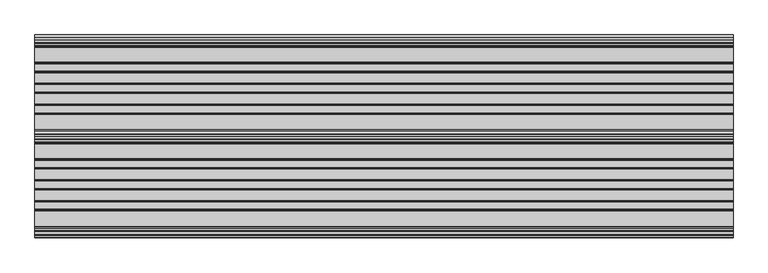
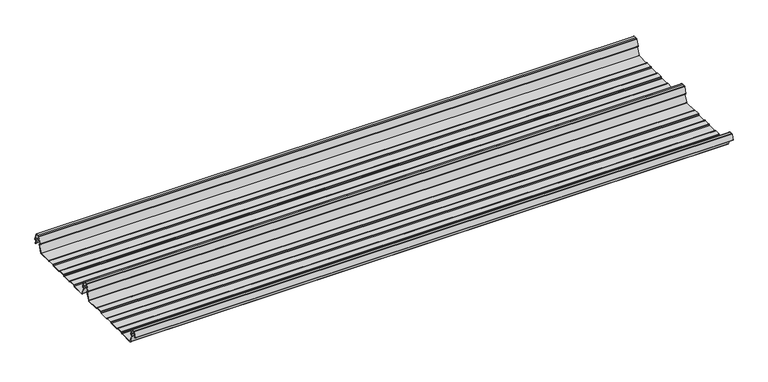
"""IFC4 building model written with IfcOpenShell, lengths in millimetres: beam geometry."""

from ifc_helpers import new_model, si_unit, point, frame, frame_2d, origin, place, context, project, spatial, polyline, circle_curve, trimmed, segment, composite_curve, outline, extrude, source, transform, mapped, element, save


def beam_9ecfdc8a(model_context):
    return source(origin(), model_context, "Body", "SweptSolid", [
        extrude(outline(composite_curve([segment(trimmed(circle_curve(frame_2d((-231.1362436, -24.0396475)), 1.75), [point((-231.1362436, -25.7896475))], [point((-232.7807057, -24.6381827))], False, "CARTESIAN"), True, "CONTINUOUS"), segment(polyline([(-232.7807057, -24.6381827), (-241.6888002, -2.1633943)]), True, "CONTINUOUS"), segment(trimmed(circle_curve(frame_2d((-240.0443381, -1.5648591)), 1.75), [point((-241.6888002, -2.1633943))], [point((-240.4972714, 0.1255111))], False, "CARTESIAN"), True, "CONTINUOUS"), segment(polyline([(-240.4972714, 0.1255111), (-237.8419476, 0.837003)]), True, "CONTINUOUS"), segment(trimmed(circle_curve(frame_2d((-238.1654714, 2.0444103)), 1.25), [point((-237.8419476, 0.837003))], [point((-236.9908556, 2.4719355))], True, "CARTESIAN"), True, "CONTINUOUS"), segment(polyline([(-236.9908556, 2.4719355), (-243.8110817, 21.2103525), (-250.0, 21.2103525), (-256.1889183, 21.2103525), (-263.0091444, 2.4719355)]), True, "CONTINUOUS"), segment(trimmed(circle_curve(frame_2d((-261.8345286, 2.0444103)), 1.25), [point((-263.0091444, 2.4719355))], [point((-262.1580524, 0.837003))], True, "CARTESIAN"), True, "CONTINUOUS"), segment(polyline([(-262.1580524, 0.837003), (-259.5027286, 0.1255111)]), True, "CONTINUOUS"), segment(trimmed(circle_curve(frame_2d((-259.9556619, -1.5648591)), 1.75), [point((-259.5027286, 0.1255111))], [point((-258.3111998, -2.1633943))], False, "CARTESIAN"), True, "CONTINUOUS"), segment(polyline([(-258.3111998, -2.1633943), (-267.2192943, -24.6381827)]), True, "CONTINUOUS"), segment(trimmed(circle_curve(frame_2d((-268.8637564, -24.0396475)), 1.75), [point((-267.2192943, -24.6381827))], [point((-268.8637564, -25.7896475))], False, "CARTESIAN"), True, "CONTINUOUS"), segment(polyline([(-268.8637564, -25.7896475), (-307.3786797, -25.7896475)]), True, "CONTINUOUS"), segment(trimmed(circle_curve(frame_2d((-307.3786797, -24.0396475)), 1.75), [point((-307.3786797, -25.7896475))], [point((-308.6161165, -25.2770843))], False, "CARTESIAN"), True, "CONTINUOUS"), segment(polyline([(-308.6161165, -25.2770843), (-310.7788845, -23.1143163)]), True, "CONTINUOUS"), segment(trimmed(circle_curve(frame_2d((-311.5627045, -23.8981363)), 1.1084889), [point((-310.7788845, -23.1143163))], [point((-311.5627045, -22.7896475))], True, "CARTESIAN"), True, "CONTINUOUS"), segment(polyline([(-311.5627045, -22.7896475), (-330.4372955, -22.7896475)]), True, "CONTINUOUS"), segment(trimmed(circle_curve(frame_2d((-330.4372955, -23.8981363)), 1.1084889), [point((-330.4372955, -22.7896475))], [point((-331.2211155, -23.1143163))], True, "CARTESIAN"), True, "CONTINUOUS"), segment(polyline([(-331.2211155, -23.1143163), (-333.3838835, -25.2770843)]), True, "CONTINUOUS"), segment(trimmed(circle_curve(frame_2d((-334.6213203, -24.0396475)), 1.75), [point((-333.3838835, -25.2770843))], [point((-334.6213203, -25.7896475))], False, "CARTESIAN"), True, "CONTINUOUS"), segment(polyline([(-334.6213203, -25.7896475), (-361.3786797, -25.7896475)]), True, "CONTINUOUS"), segment(trimmed(circle_curve(frame_2d((-361.3786797, -24.0396475)), 1.75), [point((-361.3786797, -25.7896475))], [point((-362.6161165, -25.2770843))], False, "CARTESIAN"), True, "CONTINUOUS"), segment(polyline([(-362.6161165, -25.2770843), (-364.7788845, -23.1143163)]), True, "CONTINUOUS"), segment(trimmed(circle_curve(frame_2d((-365.5627045, -23.8981363)), 1.1084889), [point((-364.7788845, -23.1143163))], [point((-365.5627045, -22.7896475))], True, "CARTESIAN"), True, "CONTINUOUS"), segment(polyline([(-365.5627045, -22.7896475), (-384.4372955, -22.7896475)]), True, "CONTINUOUS"), segment(trimmed(circle_curve(frame_2d((-384.4372955, -23.8981363)), 1.1084889), [point((-384.4372955, -22.7896475))], [point((-385.2211155, -23.1143163))], True, "CARTESIAN"), True, "CONTINUOUS"), segment(polyline([(-385.2211155, -23.1143163), (-387.3838835, -25.2770843)]), True, "CONTINUOUS"), segment(trimmed(circle_curve(frame_2d((-388.6213203, -24.0396475)), 1.75), [point((-387.3838835, -25.2770843))], [point((-388.6213203, -25.7896475))], False, "CARTESIAN"), True, "CONTINUOUS"), segment(polyline([(-388.6213203, -25.7896475), (-415.3786797, -25.7896475)]), True, "CONTINUOUS"), segment(trimmed(circle_curve(frame_2d((-415.3786797, -24.0396475)), 1.75), [point((-415.3786797, -25.7896475))], [point((-416.6161165, -25.2770843))], False, "CARTESIAN"), True, "CONTINUOUS"), segment(polyline([(-416.6161165, -25.2770843), (-418.7788845, -23.1143163)]), True, "CONTINUOUS"), segment(trimmed(circle_curve(frame_2d((-419.5627045, -23.8981363)), 1.1084889), [point((-418.7788845, -23.1143163))], [point((-419.5627045, -22.7896475))], True, "CARTESIAN"), True, "CONTINUOUS"), segment(polyline([(-419.5627045, -22.7896475), (-438.4372955, -22.7896475)]), True, "CONTINUOUS"), segment(trimmed(circle_curve(frame_2d((-438.4372955, -23.8981363)), 1.1084889), [point((-438.4372955, -22.7896475))], [point((-439.2211155, -23.1143163))], True, "CARTESIAN"), True, "CONTINUOUS"), segment(polyline([(-439.2211155, -23.1143163), (-441.3838835, -25.2770843)]), True, "CONTINUOUS"), segment(trimmed(circle_curve(frame_2d((-442.6213203, -24.0396475)), 1.75), [point((-441.3838835, -25.2770843))], [point((-442.6213203, -25.7896475))], False, "CARTESIAN"), True, "CONTINUOUS"), segment(polyline([(-442.6213203, -25.7896475), (-483.287616, -25.7896475)]), True, "CONTINUOUS"), segment(trimmed(circle_curve(frame_2d((-483.287616, -24.0396475)), 1.75), [point((-483.287616, -25.7896475))], [point((-484.8955882, -24.7302452))], False, "CARTESIAN"), True, "CONTINUOUS"), segment(polyline([(-484.8955882, -24.7302452), (-493.5565428, -2.8789816)]), True, "CONTINUOUS"), segment(trimmed(circle_curve(frame_2d((-490.0443381, -1.5648591)), 3.75), [point((-493.5565428, -2.8789816))], [point((-490.3464639, 2.1729504))], False, "CARTESIAN"), True, "CONTINUOUS"), segment(trimmed(circle_curve(frame_2d((-490.426413, 3.162057)), 0.9923325), [point((-490.3464639, 2.1729504))], [point((-489.4939255, 3.5014547))], True, "CARTESIAN"), True, "CONTINUOUS"), segment(polyline([(-489.4939255, 3.5014547), (-494.9720116, 18.5523727)]), True, "CONTINUOUS"), segment(trimmed(circle_curve(frame_2d((-495.9117043, 18.2103525)), 1.0), [point((-494.9720116, 18.5523727))], [point((-495.9117043, 19.2103525))], True, "CARTESIAN"), True, "CONTINUOUS"), segment(polyline([(-495.9117043, 19.2103525), (-504.0882957, 19.2103525)]), True, "CONTINUOUS"), segment(trimmed(circle_curve(frame_2d((-504.0882957, 18.2103525)), 1.0), [point((-504.0882957, 19.2103525))], [point((-505.0279884, 18.5523727))], True, "CARTESIAN"), True, "CONTINUOUS"), segment(polyline([(-505.0279884, 18.5523727), (-510.4799156, 3.5733257)]), True, "CONTINUOUS"), segment(trimmed(circle_curve(frame_2d((-510.9497619, 3.7443357)), 0.5), [point((-510.4799156, 3.5733257))], [point((-511.4196082, 3.9153458))], False, "CARTESIAN"), True, "CONTINUOUS"), segment(polyline([(-511.4196082, 3.9153458), (-505.967681, 18.8943928)]), True, "CONTINUOUS"), segment(trimmed(circle_curve(frame_2d((-504.0882957, 18.2103525)), 2.0), [point((-505.967681, 18.8943928))], [point((-504.0882957, 20.2103525))], False, "CARTESIAN"), True, "CONTINUOUS"), segment(polyline([(-504.0882957, 20.2103525), (-495.9117043, 20.2103525)]), True, "CONTINUOUS"), segment(trimmed(circle_curve(frame_2d((-495.9117043, 18.2103525)), 2.0), [point((-495.9117043, 20.2103525))], [point((-494.032319, 18.8943928))], False, "CARTESIAN"), True, "CONTINUOUS"), segment(polyline([(-494.032319, 18.8943928), (-488.5542329, 3.8434749)]), True, "CONTINUOUS"), segment(trimmed(circle_curve(frame_2d((-490.426413, 3.162057)), 1.9923325), [point((-488.5542329, 3.8434749))], [point((-490.265897, 1.1762012))], False, "CARTESIAN"), True, "CONTINUOUS"), segment(trimmed(circle_curve(frame_2d((-490.0443381, -1.5648591)), 2.75), [point((-490.265897, 1.1762012))], [point((-492.6230664, -2.5201915))], True, "CARTESIAN"), True, "CONTINUOUS"), segment(polyline([(-492.6230664, -2.5201915), (-483.9722515, -24.3458733)]), True, "CONTINUOUS"), segment(trimmed(circle_curve(frame_2d((-483.287616, -24.0396475)), 0.75), [point((-483.9722515, -24.3458733))], [point((-483.287616, -24.7896475))], True, "CARTESIAN"), True, "CONTINUOUS"), segment(polyline([(-483.287616, -24.7896475), (-442.7420401, -24.7896475)]), True, "CONTINUOUS"), segment(trimmed(circle_curve(frame_2d((-442.7420401, -23.7482041)), 1.0414433), [point((-442.7420401, -24.7896475))], [point((-442.0056285, -24.4846158))], True, "CARTESIAN"), True, "CONTINUOUS"), segment(polyline([(-442.0056285, -24.4846158), (-439.9696699, -22.4486572)]), True, "CONTINUOUS"), segment(trimmed(circle_curve(frame_2d((-438.3786797, -24.0396475)), 2.25), [point((-439.9696699, -22.4486572))], [point((-438.3786797, -21.7896475))], False, "CARTESIAN"), True, "CONTINUOUS"), segment(polyline([(-438.3786797, -21.7896475), (-419.6213203, -21.7896475)]), True, "CONTINUOUS"), segment(trimmed(circle_curve(frame_2d((-419.6213203, -24.0396475)), 2.25), [point((-419.6213203, -21.7896475))], [point((-418.0303301, -22.4486572))], False, "CARTESIAN"), True, "CONTINUOUS"), segment(polyline([(-418.0303301, -22.4486572), (-415.9943715, -24.4846158)]), True, "CONTINUOUS"), segment(trimmed(circle_curve(frame_2d((-415.2579599, -23.7482041)), 1.0414433), [point((-415.9943715, -24.4846158))], [point((-415.2579599, -24.7896475))], True, "CARTESIAN"), True, "CONTINUOUS"), segment(polyline([(-415.2579599, -24.7896475), (-388.7420401, -24.7896475)]), True, "CONTINUOUS"), segment(trimmed(circle_curve(frame_2d((-388.7420401, -23.7482041)), 1.0414433), [point((-388.7420401, -24.7896475))], [point((-388.0056285, -24.4846158))], True, "CARTESIAN"), True, "CONTINUOUS"), segment(polyline([(-388.0056285, -24.4846158), (-385.9696699, -22.4486572)]), True, "CONTINUOUS"), segment(trimmed(circle_curve(frame_2d((-384.3786797, -24.0396475)), 2.25), [point((-385.9696699, -22.4486572))], [point((-384.3786797, -21.7896475))], False, "CARTESIAN"), True, "CONTINUOUS"), segment(polyline([(-384.3786797, -21.7896475), (-365.6213203, -21.7896475)]), True, "CONTINUOUS"), segment(trimmed(circle_curve(frame_2d((-365.6213203, -24.0396475)), 2.25), [point((-365.6213203, -21.7896475))], [point((-364.0303301, -22.4486572))], False, "CARTESIAN"), True, "CONTINUOUS"), segment(polyline([(-364.0303301, -22.4486572), (-361.9943715, -24.4846158)]), True, "CONTINUOUS"), segment(trimmed(circle_curve(frame_2d((-361.2579599, -23.7482041)), 1.0414433), [point((-361.9943715, -24.4846158))], [point((-361.2579599, -24.7896475))], True, "CARTESIAN"), True, "CONTINUOUS"), segment(polyline([(-361.2579599, -24.7896475), (-334.7420401, -24.7896475)]), True, "CONTINUOUS"), segment(trimmed(circle_curve(frame_2d((-334.7420401, -23.7482041)), 1.0414433), [point((-334.7420401, -24.7896475))], [point((-334.0056285, -24.4846158))], True, "CARTESIAN"), True, "CONTINUOUS"), segment(polyline([(-334.0056285, -24.4846158), (-331.9696699, -22.4486572)]), True, "CONTINUOUS"), segment(trimmed(circle_curve(frame_2d((-330.3786797, -24.0396475)), 2.25), [point((-331.9696699, -22.4486572))], [point((-330.3786797, -21.7896475))], False, "CARTESIAN"), True, "CONTINUOUS"), segment(polyline([(-330.3786797, -21.7896475), (-311.6213203, -21.7896475)]), True, "CONTINUOUS"), segment(trimmed(circle_curve(frame_2d((-311.6213203, -24.0396475)), 2.25), [point((-311.6213203, -21.7896475))], [point((-310.0303301, -22.4486572))], False, "CARTESIAN"), True, "CONTINUOUS"), segment(polyline([(-310.0303301, -22.4486572), (-307.9943715, -24.4846158)]), True, "CONTINUOUS"), segment(trimmed(circle_curve(frame_2d((-307.2579599, -23.7482041)), 1.0414433), [point((-307.9943715, -24.4846158))], [point((-307.2579599, -24.7896475))], True, "CARTESIAN"), True, "CONTINUOUS"), segment(polyline([(-307.2579599, -24.7896475), (-268.8637564, -24.7896475)]), True, "CONTINUOUS"), segment(trimmed(circle_curve(frame_2d((-268.8637564, -24.0396475)), 0.75), [point((-268.8637564, -24.7896475))], [point((-268.1552359, -24.2856122))], True, "CARTESIAN"), True, "CONTINUOUS"), segment(polyline([(-268.1552359, -24.2856122), (-259.2471414, -1.8108238)]), True, "CONTINUOUS"), segment(trimmed(circle_curve(frame_2d((-259.9556619, -1.5648591)), 0.75), [point((-259.2471414, -1.8108238))], [point((-259.7615476, -0.8404147))], True, "CARTESIAN"), True, "CONTINUOUS"), segment(polyline([(-259.7615476, -0.8404147), (-262.4168715, -0.1289228)]), True, "CONTINUOUS"), segment(trimmed(circle_curve(frame_2d((-261.8345286, 2.0444103)), 2.25), [point((-262.4168715, -0.1289228))], [point((-263.948837, 2.8139556))], False, "CARTESIAN"), True, "CONTINUOUS"), segment(polyline([(-263.948837, 2.8139556), (-257.1273286, 21.5558959)]), True, "CONTINUOUS"), segment(trimmed(circle_curve(frame_2d((-256.1926676, 21.2157071)), 0.9946455), [point((-257.1273286, 21.5558959))], [point((-256.1926676, 22.2103525))], False, "CARTESIAN"), True, "CONTINUOUS"), segment(polyline([(-256.1926676, 22.2103525), (-250.0, 22.2103525), (-243.8073324, 22.2103525)]), True, "CONTINUOUS"), segment(trimmed(circle_curve(frame_2d((-243.8073324, 21.2157071)), 0.9946455), [point((-243.8073324, 22.2103525))], [point((-242.8726714, 21.5558959))], False, "CARTESIAN"), True, "CONTINUOUS"), segment(polyline([(-242.8726714, 21.5558959), (-236.051163, 2.8139556)]), True, "CONTINUOUS"), segment(trimmed(circle_curve(frame_2d((-238.1654714, 2.0444103)), 2.25), [point((-236.051163, 2.8139556))], [point((-237.5831285, -0.1289228))], False, "CARTESIAN"), True, "CONTINUOUS"), segment(polyline([(-237.5831285, -0.1289228), (-240.2384524, -0.8404147)]), True, "CONTINUOUS"), segment(trimmed(circle_curve(frame_2d((-240.0443381, -1.5648591)), 0.75), [point((-240.2384524, -0.8404147))], [point((-240.7528586, -1.8108238))], True, "CARTESIAN"), True, "CONTINUOUS"), segment(polyline([(-240.7528586, -1.8108238), (-231.8447641, -24.2856122)]), True, "CONTINUOUS"), segment(trimmed(circle_curve(frame_2d((-231.1362436, -24.0396475)), 0.75), [point((-231.8447641, -24.2856122))], [point((-231.1362436, -24.7896475))], True, "CARTESIAN"), True, "CONTINUOUS"), segment(polyline([(-231.1362436, -24.7896475), (-192.7420401, -24.7896475)]), True, "CONTINUOUS"), segment(trimmed(circle_curve(frame_2d((-192.7420401, -23.7482041)), 1.0414433), [point((-192.7420401, -24.7896475))], [point((-192.0056285, -24.4846158))], True, "CARTESIAN"), True, "CONTINUOUS"), segment(polyline([(-192.0056285, -24.4846158), (-189.9696699, -22.4486572)]), True, "CONTINUOUS"), segment(trimmed(circle_curve(frame_2d((-188.3786797, -24.0396475)), 2.25), [point((-189.9696699, -22.4486572))], [point((-188.3786797, -21.7896475))], False, "CARTESIAN"), True, "CONTINUOUS"), segment(polyline([(-188.3786797, -21.7896475), (-169.6213203, -21.7896475)]), True, "CONTINUOUS"), segment(trimmed(circle_curve(frame_2d((-169.6213203, -24.0396475)), 2.25), [point((-169.6213203, -21.7896475))], [point((-168.0303301, -22.4486572))], False, "CARTESIAN"), True, "CONTINUOUS"), segment(polyline([(-168.0303301, -22.4486572), (-165.9943715, -24.4846158)]), True, "CONTINUOUS"), segment(trimmed(circle_curve(frame_2d((-165.2579599, -23.7482041)), 1.0414433), [point((-165.9943715, -24.4846158))], [point((-165.2579599, -24.7896475))], True, "CARTESIAN"), True, "CONTINUOUS"), segment(polyline([(-165.2579599, -24.7896475), (-138.7420401, -24.7896475)]), True, "CONTINUOUS"), segment(trimmed(circle_curve(frame_2d((-138.7420401, -23.7482041)), 1.0414433), [point((-138.7420401, -24.7896475))], [point((-138.0056285, -24.4846158))], True, "CARTESIAN"), True, "CONTINUOUS"), segment(polyline([(-138.0056285, -24.4846158), (-135.9696699, -22.4486572)]), True, "CONTINUOUS"), segment(trimmed(circle_curve(frame_2d((-134.3786797, -24.0396475)), 2.25), [point((-135.9696699, -22.4486572))], [point((-134.3786797, -21.7896475))], False, "CARTESIAN"), True, "CONTINUOUS"), segment(polyline([(-134.3786797, -21.7896475), (-115.6213203, -21.7896475)]), True, "CONTINUOUS"), segment(trimmed(circle_curve(frame_2d((-115.6213203, -24.0396475)), 2.25), [point((-115.6213203, -21.7896475))], [point((-114.0303301, -22.4486572))], False, "CARTESIAN"), True, "CONTINUOUS"), segment(polyline([(-114.0303301, -22.4486572), (-111.9943715, -24.4846158)]), True, "CONTINUOUS"), segment(trimmed(circle_curve(frame_2d((-111.2579599, -23.7482041)), 1.0414433), [point((-111.9943715, -24.4846158))], [point((-111.2579599, -24.7896475))], True, "CARTESIAN"), True, "CONTINUOUS"), segment(polyline([(-111.2579599, -24.7896475), (-84.7420401, -24.7896475)]), True, "CONTINUOUS"), segment(trimmed(circle_curve(frame_2d((-84.7420401, -23.7482041)), 1.0414433), [point((-84.7420401, -24.7896475))], [point((-84.0056285, -24.4846158))], True, "CARTESIAN"), True, "CONTINUOUS"), segment(polyline([(-84.0056285, -24.4846158), (-81.9696699, -22.4486572)]), True, "CONTINUOUS"), segment(trimmed(circle_curve(frame_2d((-80.3786797, -24.0396475)), 2.25), [point((-81.9696699, -22.4486572))], [point((-80.3786797, -21.7896475))], False, "CARTESIAN"), True, "CONTINUOUS"), segment(polyline([(-80.3786797, -21.7896475), (-61.6213203, -21.7896475)]), True, "CONTINUOUS"), segment(trimmed(circle_curve(frame_2d((-61.6213203, -24.0396475)), 2.25), [point((-61.6213203, -21.7896475))], [point((-60.0303301, -22.4486572))], False, "CARTESIAN"), True, "CONTINUOUS"), segment(polyline([(-60.0303301, -22.4486572), (-57.9943715, -24.4846158)]), True, "CONTINUOUS"), segment(trimmed(circle_curve(frame_2d((-57.2579599, -23.7482041)), 1.0414433), [point((-57.9943715, -24.4846158))], [point((-57.2579599, -24.7896475))], True, "CARTESIAN"), True, "CONTINUOUS"), segment(polyline([(-57.2579599, -24.7896475), (-18.8637564, -24.7896475)]), True, "CONTINUOUS"), segment(trimmed(circle_curve(frame_2d((-18.8637564, -24.0396475)), 0.75), [point((-18.8637564, -24.7896475))], [point((-18.1552359, -24.2856122))], True, "CARTESIAN"), True, "CONTINUOUS"), segment(polyline([(-18.1552359, -24.2856122), (-9.2471414, -1.8108238)]), True, "CONTINUOUS"), segment(trimmed(circle_curve(frame_2d((-9.9556619, -1.5648591)), 0.75), [point((-9.2471414, -1.8108238))], [point((-9.7615476, -0.8404147))], True, "CARTESIAN"), True, "CONTINUOUS"), segment(polyline([(-9.7615476, -0.8404147), (-12.4168715, -0.1289228)]), True, "CONTINUOUS"), segment(trimmed(circle_curve(frame_2d((-11.8345286, 2.0444103)), 2.25), [point((-12.4168715, -0.1289228))], [point((-13.948837, 2.8139556))], False, "CARTESIAN"), True, "CONTINUOUS"), segment(polyline([(-13.948837, 2.8139556), (-7.1273286, 21.5558959)]), True, "CONTINUOUS"), segment(trimmed(circle_curve(frame_2d((-6.1926676, 21.2157071)), 0.9946455), [point((-7.1273286, 21.5558959))], [point((-6.1926676, 22.2103525))], False, "CARTESIAN"), True, "CONTINUOUS"), segment(polyline([(-6.1926676, 22.2103525), (0.0, 22.2103525), (6.1926676, 22.2103525)]), True, "CONTINUOUS"), segment(trimmed(circle_curve(frame_2d((6.1926676, 21.2157071)), 0.9946455), [point((6.1926676, 22.2103525))], [point((7.1273286, 21.5558959))], False, "CARTESIAN"), True, "CONTINUOUS"), segment(polyline([(7.1273286, 21.5558959), (13.948837, 2.8139556)]), True, "CONTINUOUS"), segment(trimmed(circle_curve(frame_2d((11.8345286, 2.0444103)), 2.25), [point((13.948837, 2.8139556))], [point((12.4168715, -0.1289228))], False, "CARTESIAN"), True, "CONTINUOUS"), segment(polyline([(12.4168715, -0.1289228), (9.7615476, -0.8404147)]), True, "CONTINUOUS"), segment(trimmed(circle_curve(frame_2d((9.9556619, -1.5648591)), 0.75), [point((9.7615476, -0.8404147))], [point((9.2471414, -1.8108238))], True, "CARTESIAN"), True, "CONTINUOUS"), segment(polyline([(9.2471414, -1.8108238), (12.5127954, -10.0499465)]), True, "CONTINUOUS"), segment(trimmed(circle_curve(frame_2d((12.0479758, -10.2341821)), 0.5), [point((12.5127954, -10.0499465))], [point((11.5831563, -10.4184177))], False, "CARTESIAN"), True, "CONTINUOUS"), segment(polyline([(11.5831563, -10.4184177), (8.3111998, -2.1633943)]), True, "CONTINUOUS"), segment(trimmed(circle_curve(frame_2d((9.9556619, -1.5648591)), 1.75), [point((8.3111998, -2.1633943))], [point((9.5027286, 0.1255111))], False, "CARTESIAN"), True, "CONTINUOUS"), segment(polyline([(9.5027286, 0.1255111), (12.1580524, 0.837003)]), True, "CONTINUOUS"), segment(trimmed(circle_curve(frame_2d((11.8345286, 2.0444103)), 1.25), [point((12.1580524, 0.837003))], [point((13.0091444, 2.4719355))], True, "CARTESIAN"), True, "CONTINUOUS"), segment(polyline([(13.0091444, 2.4719355), (6.1889183, 21.2103525), (0.0, 21.2103525), (-6.1889183, 21.2103525), (-13.0091444, 2.4719355)]), True, "CONTINUOUS"), segment(trimmed(circle_curve(frame_2d((-11.8345286, 2.0444103)), 1.25), [point((-13.0091444, 2.4719355))], [point((-12.1580524, 0.837003))], True, "CARTESIAN"), True, "CONTINUOUS"), segment(polyline([(-12.1580524, 0.837003), (-9.5027286, 0.1255111)]), True, "CONTINUOUS"), segment(trimmed(circle_curve(frame_2d((-9.9556619, -1.5648591)), 1.75), [point((-9.5027286, 0.1255111))], [point((-8.3111998, -2.1633943))], False, "CARTESIAN"), True, "CONTINUOUS"), segment(polyline([(-8.3111998, -2.1633943), (-17.2192943, -24.6381827)]), True, "CONTINUOUS"), segment(trimmed(circle_curve(frame_2d((-18.8637564, -24.0396475)), 1.75), [point((-17.2192943, -24.6381827))], [point((-18.8637564, -25.7896475))], False, "CARTESIAN"), True, "CONTINUOUS"), segment(polyline([(-18.8637564, -25.7896475), (-57.3786797, -25.7896475)]), True, "CONTINUOUS"), segment(trimmed(circle_curve(frame_2d((-57.3786797, -24.0396475)), 1.75), [point((-57.3786797, -25.7896475))], [point((-58.6161165, -25.2770843))], False, "CARTESIAN"), True, "CONTINUOUS"), segment(polyline([(-58.6161165, -25.2770843), (-60.7788845, -23.1143163)]), True, "CONTINUOUS"), segment(trimmed(circle_curve(frame_2d((-61.5627045, -23.8981363)), 1.1084889), [point((-60.7788845, -23.1143163))], [point((-61.5627045, -22.7896475))], True, "CARTESIAN"), True, "CONTINUOUS"), segment(polyline([(-61.5627045, -22.7896475), (-80.4372955, -22.7896475)]), True, "CONTINUOUS"), segment(trimmed(circle_curve(frame_2d((-80.4372955, -23.8981363)), 1.1084889), [point((-80.4372955, -22.7896475))], [point((-81.2211155, -23.1143163))], True, "CARTESIAN"), True, "CONTINUOUS"), segment(polyline([(-81.2211155, -23.1143163), (-83.3838835, -25.2770843)]), True, "CONTINUOUS"), segment(trimmed(circle_curve(frame_2d((-84.6213203, -24.0396475)), 1.75), [point((-83.3838835, -25.2770843))], [point((-84.6213203, -25.7896475))], False, "CARTESIAN"), True, "CONTINUOUS"), segment(polyline([(-84.6213203, -25.7896475), (-111.3786797, -25.7896475)]), True, "CONTINUOUS"), segment(trimmed(circle_curve(frame_2d((-111.3786797, -24.0396475)), 1.75), [point((-111.3786797, -25.7896475))], [point((-112.6161165, -25.2770843))], False, "CARTESIAN"), True, "CONTINUOUS"), segment(polyline([(-112.6161165, -25.2770843), (-114.7788845, -23.1143163)]), True, "CONTINUOUS"), segment(trimmed(circle_curve(frame_2d((-115.5627045, -23.8981363)), 1.1084889), [point((-114.7788845, -23.1143163))], [point((-115.5627045, -22.7896475))], True, "CARTESIAN"), True, "CONTINUOUS"), segment(polyline([(-115.5627045, -22.7896475), (-134.4372955, -22.7896475)]), True, "CONTINUOUS"), segment(trimmed(circle_curve(frame_2d((-134.4372955, -23.8981363)), 1.1084889), [point((-134.4372955, -22.7896475))], [point((-135.2211155, -23.1143163))], True, "CARTESIAN"), True, "CONTINUOUS"), segment(polyline([(-135.2211155, -23.1143163), (-137.3838835, -25.2770843)]), True, "CONTINUOUS"), segment(trimmed(circle_curve(frame_2d((-138.6213203, -24.0396475)), 1.75), [point((-137.3838835, -25.2770843))], [point((-138.6213203, -25.7896475))], False, "CARTESIAN"), True, "CONTINUOUS"), segment(polyline([(-138.6213203, -25.7896475), (-165.3786797, -25.7896475)]), True, "CONTINUOUS"), segment(trimmed(circle_curve(frame_2d((-165.3786797, -24.0396475)), 1.75), [point((-165.3786797, -25.7896475))], [point((-166.6161165, -25.2770843))], False, "CARTESIAN"), True, "CONTINUOUS"), segment(polyline([(-166.6161165, -25.2770843), (-168.7788845, -23.1143163)]), True, "CONTINUOUS"), segment(trimmed(circle_curve(frame_2d((-169.5627045, -23.8981363)), 1.1084889), [point((-168.7788845, -23.1143163))], [point((-169.5627045, -22.7896475))], True, "CARTESIAN"), True, "CONTINUOUS"), segment(polyline([(-169.5627045, -22.7896475), (-188.4372955, -22.7896475)]), True, "CONTINUOUS"), segment(trimmed(circle_curve(frame_2d((-188.4372955, -23.8981363)), 1.1084889), [point((-188.4372955, -22.7896475))], [point((-189.2211155, -23.1143163))], True, "CARTESIAN"), True, "CONTINUOUS"), segment(polyline([(-189.2211155, -23.1143163), (-191.3838835, -25.2770843)]), True, "CONTINUOUS"), segment(trimmed(circle_curve(frame_2d((-192.6213203, -24.0396475)), 1.75), [point((-191.3838835, -25.2770843))], [point((-192.6213203, -25.7896475))], False, "CARTESIAN"), True, "CONTINUOUS"), segment(polyline([(-192.6213203, -25.7896475), (-231.1362436, -25.7896475)]), True, "CONTINUOUS")], self_intersect=False)), frame((-905.0, 0.0, 0.0), z_axis=(1.0, 0.0, 0.0), x_axis=(0.0, 1.0, 0.0)), (0.0, 0.0, 1.0), 1810.0),
    ])


if __name__ == "__main__":
    model = new_model("IFC4")
    model_context = context("Model", 3, world=origin())
    ifc_project = project(units=[si_unit("LENGTHUNIT", "METRE", prefix="MILLI")], contexts=[model_context])
    site = spatial("IfcSite", under=ifc_project)
    building = spatial("IfcBuilding", under=site)
    placement = place(None, origin())
    beam_shape = beam_9ecfdc8a(model_context)
    element("IfcBeam", 1, at=placement, inside=building, context=model_context, shape_type="MappedRepresentation", body=[
        mapped(beam_shape, transform((0.0, 0.0, 0.0), x_axis=(1.0, 0.0, 0.0), y_axis=(0.0, 1.0, 0.0), z_axis=(0.0, 0.0, 1.0))),
    ])
    save(model, "model.ifc")
